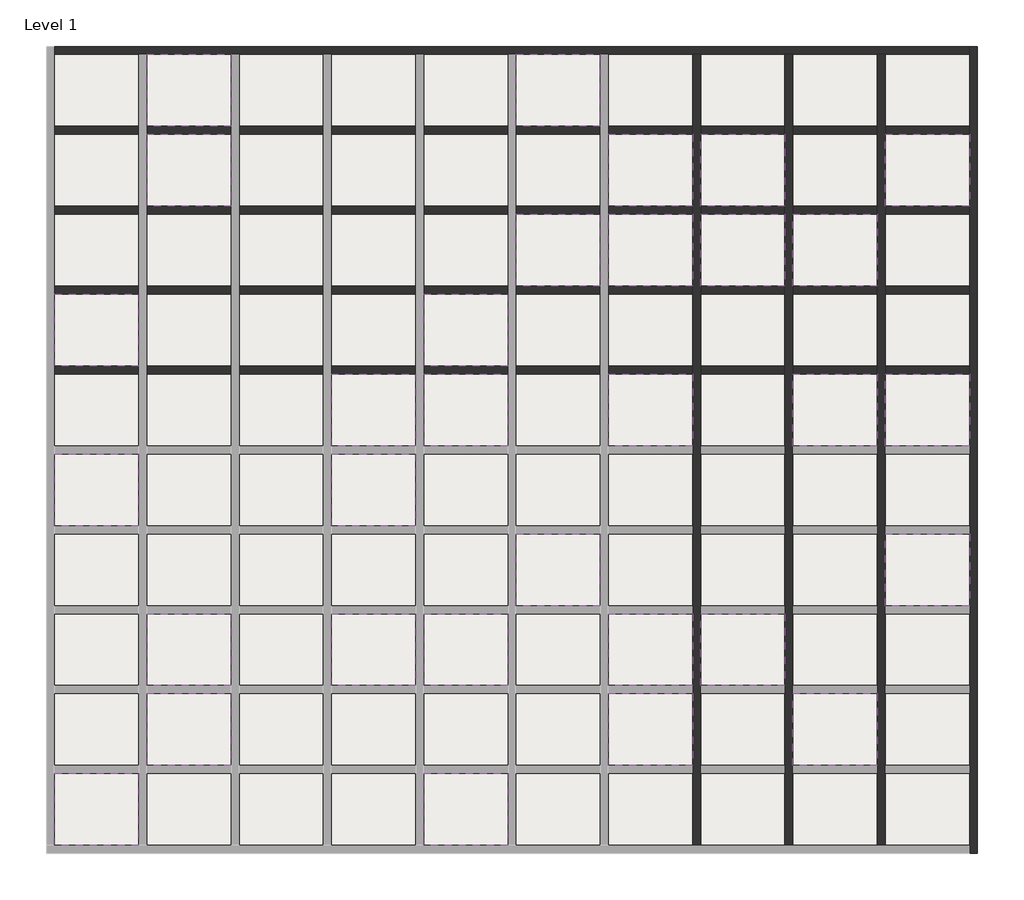
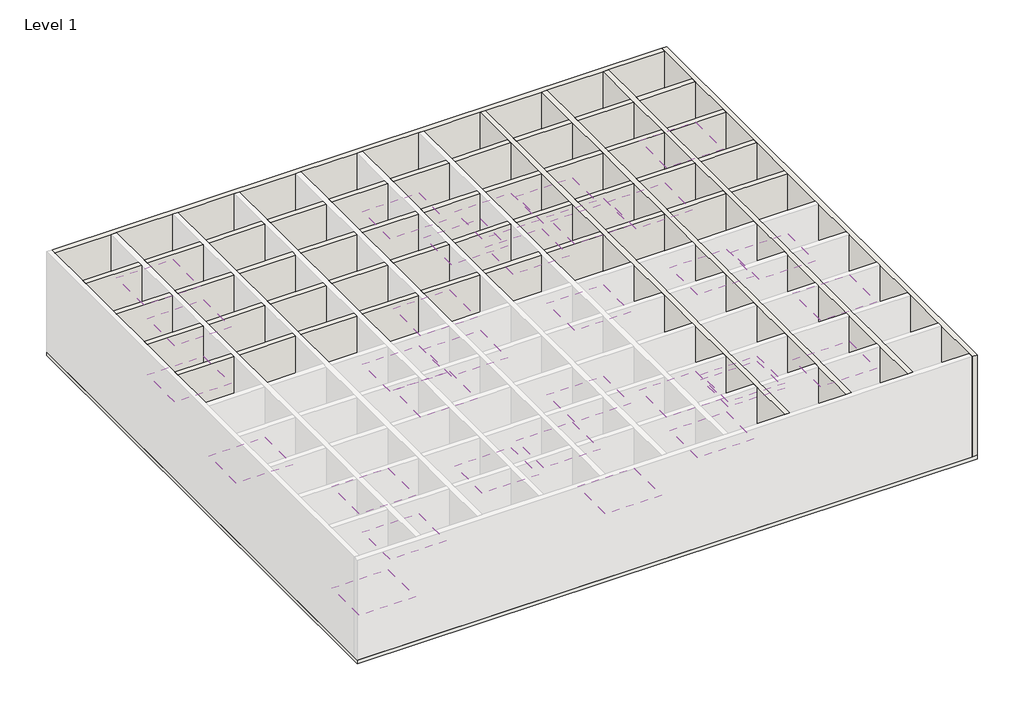
# One storey, part 2 of 2: 32 coverings, 9 walls, 1 slab.
"""IFC4 building model written with IfcOpenShell, lengths in millimetres."""

from ifc_helpers import new_model, si_unit, frame, origin, origin_with_axes, place, context, project, spatial, polyline, outline, extrude, faceted_brep, element, save

model = new_model("IFC4")

# Units and contexts
model_context = context("Model", 3, world=origin())
ifc_project = project(units=[si_unit("LENGTHUNIT", "METRE", prefix="MILLI")], contexts=[model_context])

# Site, building, storey
site = spatial("IfcSite", under=ifc_project)
building = spatial("IfcBuilding", under=site)
storey = spatial("IfcBuildingStorey", under=building, Name="Level 1", Elevation=0.0)

# Coverings
placement = place(None, origin())
element("IfcCovering", 1, ObjectType="Plain", at=placement, inside=storey, context=model_context, shape_type="SweptSolid", body=[
    extrude(outline(polyline([(-10465.7620395, 7446.3467026), (-12587.9842617, 7446.3467026), (-12587.9842617, 9257.4578138), (-10465.7620395, 9257.4578138), (-10465.7620395, 7446.3467026)])), frame((0.0, 0.0, 2200.0), z_axis=(0.0, 0.0, 1.0), x_axis=(1.0, 0.0, 0.0)), (0.0, 0.0, 1.0), 57.0),
])
element("IfcCovering", 2, ObjectType="Plain", at=placement, inside=storey, context=model_context, shape_type="SweptSolid", body=[
    extrude(outline(polyline([(-5821.3175951, -2609.2088529), (-7943.5398173, -2609.2088529), (-7943.5398173, -798.0977418), (-5821.3175951, -798.0977418), (-5821.3175951, -2609.2088529)])), frame((0.0, 0.0, 2200.0), z_axis=(0.0, 0.0, 1.0), x_axis=(1.0, 0.0, 0.0)), (0.0, 0.0, 1.0), 57.0),
])
element("IfcCovering", 3, ObjectType="Plain", at=placement, inside=storey, context=model_context, shape_type="SweptSolid", body=[
    extrude(outline(polyline([(-3499.0953728, 1413.0133693), (-5621.3175951, 1413.0133693), (-5621.3175951, 3224.1244804), (-3499.0953728, 3224.1244804), (-3499.0953728, 1413.0133693)])), frame((0.0, 0.0, 2200.0), z_axis=(0.0, 0.0, 1.0), x_axis=(1.0, 0.0, 0.0)), (0.0, 0.0, 1.0), 57.0),
])
element("IfcCovering", 4, ObjectType="Plain", at=placement, inside=storey, context=model_context, shape_type="SweptSolid", body=[
    extrude(outline(polyline([(3467.5712938, 3424.1244804), (1345.3490716, 3424.1244804), (1345.3490716, 5235.2355915), (3467.5712938, 5235.2355915), (3467.5712938, 3424.1244804)])), frame((0.0, 0.0, 2200.0), z_axis=(0.0, 0.0, 1.0), x_axis=(1.0, 0.0, 0.0)), (0.0, 0.0, 1.0), 57.0),
])
element("IfcCovering", 5, ObjectType="Plain", at=placement, inside=storey, context=model_context, shape_type="SweptSolid", body=[
    extrude(outline(polyline([(1145.3490716, -6631.4310751), (-976.8731506, -6631.4310751), (-976.8731506, -4820.319964), (1145.3490716, -4820.319964), (1145.3490716, -6631.4310751)])), frame((0.0, 0.0, 2200.0), z_axis=(0.0, 0.0, 1.0), x_axis=(1.0, 0.0, 0.0)), (0.0, 0.0, 1.0), 57.0),
])
element("IfcCovering", 6, ObjectType="Plain", at=placement, inside=storey, context=model_context, shape_type="SweptSolid", body=[
    extrude(outline(polyline([(-12787.9842617, 1413.0133693), (-14910.2064839, 1413.0133693), (-14910.2064839, 3224.1244804), (-12787.9842617, 3224.1244804), (-12787.9842617, 1413.0133693)])), frame((0.0, 0.0, 2800.0), z_axis=(0.0, 0.0, 1.0), x_axis=(1.0, 0.0, 0.0)), (0.0, 0.0, 1.0), 57.0),
])
element("IfcCovering", 7, ObjectType="Plain", at=placement, inside=storey, context=model_context, shape_type="SweptSolid", body=[
    extrude(outline(polyline([(-10465.7620395, -6631.4310751), (-12587.9842617, -6631.4310751), (-12587.9842617, -4820.319964), (-10465.7620395, -4820.319964), (-10465.7620395, -6631.4310751)])), frame((0.0, 0.0, 2400.0), z_axis=(0.0, 0.0, 1.0), x_axis=(1.0, 0.0, 0.0)), (0.0, 0.0, 1.0), 57.0),
])
element("IfcCovering", 8, ObjectType="Plain", at=placement, inside=storey, context=model_context, shape_type="SweptSolid", body=[
    extrude(outline(polyline([(-3499.0953728, -10653.6532974), (-5621.3175951, -10653.6532974), (-5621.3175951, -8842.5421862), (-3499.0953728, -8842.5421862), (-3499.0953728, -10653.6532974)])), frame((0.0, 0.0, 2400.0), z_axis=(0.0, 0.0, 1.0), x_axis=(1.0, 0.0, 0.0)), (0.0, 0.0, 1.0), 57.0),
])
element("IfcCovering", 9, ObjectType="Plain", at=placement, inside=storey, context=model_context, shape_type="SweptSolid", body=[
    extrude(outline(polyline([(8112.0157383, -4620.319964), (5989.7935161, -4620.319964), (5989.7935161, -2809.2088529), (8112.0157383, -2809.2088529), (8112.0157383, -4620.319964)])), frame((0.0, 0.0, 2400.0), z_axis=(0.0, 0.0, 1.0), x_axis=(1.0, 0.0, 0.0)), (0.0, 0.0, 1.0), 57.0),
])
element("IfcCovering", 10, ObjectType="Plain", at=placement, inside=storey, context=model_context, shape_type="SweptSolid", body=[
    extrude(outline(polyline([(8112.0157383, 5435.2355915), (5989.7935161, 5435.2355915), (5989.7935161, 7246.3467026), (8112.0157383, 7246.3467026), (8112.0157383, 5435.2355915)])), frame((0.0, 0.0, 2400.0), z_axis=(0.0, 0.0, 1.0), x_axis=(1.0, 0.0, 0.0)), (0.0, 0.0, 1.0), 57.0),
])
element("IfcCovering", 11, ObjectType="Plain", at=placement, inside=storey, context=model_context, shape_type="SweptSolid", body=[
    extrude(outline(polyline([(-12787.9842617, -2609.2088529), (-14910.2064839, -2609.2088529), (-14910.2064839, -798.0977418), (-12787.9842617, -798.0977418), (-12787.9842617, -2609.2088529)])), frame((0.0, 0.0, 2000.0), z_axis=(0.0, 0.0, 1.0), x_axis=(1.0, 0.0, 0.0)), (0.0, 0.0, 1.0), 57.0),
])
element("IfcCovering", 12, ObjectType="Plain", at=placement, inside=storey, context=model_context, shape_type="SweptSolid", body=[
    extrude(outline(polyline([(-5821.3175951, -598.0977418), (-7943.5398173, -598.0977418), (-7943.5398173, 1213.0133693), (-5821.3175951, 1213.0133693), (-5821.3175951, -598.0977418)])), frame((0.0, 0.0, 2000.0), z_axis=(0.0, 0.0, 1.0), x_axis=(1.0, 0.0, 0.0)), (0.0, 0.0, 1.0), 57.0),
])
element("IfcCovering", 13, ObjectType="Plain", at=placement, inside=storey, context=model_context, shape_type="SweptSolid", body=[
    extrude(outline(polyline([(3467.5712938, -6631.4310751), (1345.3490716, -6631.4310751), (1345.3490716, -4820.319964), (3467.5712938, -4820.319964), (3467.5712938, -6631.4310751)])), frame((0.0, 0.0, 2000.0), z_axis=(0.0, 0.0, 1.0), x_axis=(1.0, 0.0, 0.0)), (0.0, 0.0, 1.0), 57.0),
])
element("IfcCovering", 14, ObjectType="Plain", at=placement, inside=storey, context=model_context, shape_type="SweptSolid", body=[
    extrude(outline(polyline([(1145.3490716, -598.0977418), (-976.8731506, -598.0977418), (-976.8731506, 1213.0133693), (1145.3490716, 1213.0133693), (1145.3490716, -598.0977418)])), frame((0.0, 0.0, 2000.0), z_axis=(0.0, 0.0, 1.0), x_axis=(1.0, 0.0, 0.0)), (0.0, 0.0, 1.0), 57.0),
])
element("IfcCovering", 15, ObjectType="Plain", at=placement, inside=storey, context=model_context, shape_type="SweptSolid", body=[
    extrude(outline(polyline([(5789.7935161, 5235.2355915), (5789.7935161, 3424.1244804), (3667.5712938, 3424.1244804), (3667.5712938, 5235.2355915), (5789.7935161, 5235.2355915)])), frame((0.0, 0.0, 2000.0), z_axis=(0.0, 0.0, 1.0), x_axis=(1.0, 0.0, 0.0)), (0.0, 0.0, 1.0), 57.0),
])
element("IfcCovering", 16, ObjectType="Plain", at=placement, inside=storey, context=model_context, shape_type="SweptSolid", body=[
    extrude(outline(polyline([(1145.3490716, 5435.2355915), (-976.8731506, 5435.2355915), (-976.8731506, 7246.3467026), (1145.3490716, 7246.3467026), (1145.3490716, 5435.2355915)])), frame((0.0, 0.0, 2000.0), z_axis=(0.0, 0.0, 1.0), x_axis=(1.0, 0.0, 0.0)), (0.0, 0.0, 1.0), 57.0),
])
element("IfcCovering", 17, ObjectType="Plain", at=placement, inside=storey, context=model_context, shape_type="SweptSolid", body=[
    extrude(outline(polyline([(-10465.7620395, -8642.5421862), (-12587.9842617, -8642.5421862), (-12587.9842617, -6831.4310751), (-10465.7620395, -6831.4310751), (-10465.7620395, -8642.5421862)])), frame((0.0, 0.0, 1800.0), z_axis=(0.0, 0.0, 1.0), x_axis=(1.0, 0.0, 0.0)), (0.0, 0.0, 1.0), 57.0),
])
element("IfcCovering", 18, ObjectType="Plain", at=placement, inside=storey, context=model_context, shape_type="SweptSolid", body=[
    extrude(outline(polyline([(-3499.0953728, -6631.4310751), (-5621.3175951, -6631.4310751), (-5621.3175951, -4820.319964), (-3499.0953728, -4820.319964), (-3499.0953728, -6631.4310751)])), frame((0.0, 0.0, 1800.0), z_axis=(0.0, 0.0, 1.0), x_axis=(1.0, 0.0, 0.0)), (0.0, 0.0, 1.0), 57.0),
])
element("IfcCovering", 19, ObjectType="Plain", at=placement, inside=storey, context=model_context, shape_type="SweptSolid", body=[
    extrude(outline(polyline([(-3499.0953728, -598.0977418), (-5621.3175951, -598.0977418), (-5621.3175951, 1213.0133693), (-3499.0953728, 1213.0133693), (-3499.0953728, -598.0977418)])), frame((0.0, 0.0, 1800.0), z_axis=(0.0, 0.0, 1.0), x_axis=(1.0, 0.0, 0.0)), (0.0, 0.0, 1.0), 57.0),
])
element("IfcCovering", 20, ObjectType="Plain", at=placement, inside=storey, context=model_context, shape_type="SweptSolid", body=[
    extrude(outline(polyline([(-10465.7620395, 5435.2355915), (-12587.9842617, 5435.2355915), (-12587.9842617, 7246.3467026), (-10465.7620395, 7246.3467026), (-10465.7620395, 5435.2355915)])), frame((0.0, 0.0, 1800.0), z_axis=(0.0, 0.0, 1.0), x_axis=(1.0, 0.0, 0.0)), (0.0, 0.0, 1.0), 57.0),
])
element("IfcCovering", 21, ObjectType="Plain", at=placement, inside=storey, context=model_context, shape_type="SweptSolid", body=[
    extrude(outline(polyline([(1145.3490716, 3424.1244804), (-976.8731506, 3424.1244804), (-976.8731506, 5235.2355915), (1145.3490716, 5235.2355915), (1145.3490716, 3424.1244804)])), frame((0.0, 0.0, 1800.0), z_axis=(0.0, 0.0, 1.0), x_axis=(1.0, 0.0, 0.0)), (0.0, 0.0, 1.0), 57.0),
])
element("IfcCovering", 22, ObjectType="Plain", at=placement, inside=storey, context=model_context, shape_type="SweptSolid", body=[
    extrude(outline(polyline([(3467.5712938, 5435.2355915), (1345.3490716, 5435.2355915), (1345.3490716, 7246.3467026), (3467.5712938, 7246.3467026), (3467.5712938, 5435.2355915)])), frame((0.0, 0.0, 1800.0), z_axis=(0.0, 0.0, 1.0), x_axis=(1.0, 0.0, 0.0)), (0.0, 0.0, 1.0), 57.0),
])
element("IfcCovering", 23, ObjectType="Plain", at=placement, inside=storey, context=model_context, shape_type="SweptSolid", body=[
    extrude(outline(polyline([(5789.7935161, 1213.0133693), (5789.7935161, -598.0977418), (3667.5712938, -598.0977418), (3667.5712938, 1213.0133693), (5789.7935161, 1213.0133693)])), frame((0.0, 0.0, 1800.0), z_axis=(0.0, 0.0, 1.0), x_axis=(1.0, 0.0, 0.0)), (0.0, 0.0, 1.0), 57.0),
])
element("IfcCovering", 24, ObjectType="Plain", at=placement, inside=storey, context=model_context, shape_type="SweptSolid", body=[
    extrude(outline(polyline([(3467.5712938, -6631.4310751), (1345.3490716, -6631.4310751), (1345.3490716, -4820.319964), (3467.5712938, -4820.319964), (3467.5712938, -6631.4310751)])), frame((0.0, 0.0, 1800.0), z_axis=(0.0, 0.0, 1.0), x_axis=(1.0, 0.0, 0.0)), (0.0, 0.0, 1.0), 57.0),
])
element("IfcCovering", 25, ObjectType="Plain", at=placement, inside=storey, context=model_context, shape_type="SweptSolid", body=[
    extrude(outline(polyline([(1145.3490716, -8642.5421862), (-976.8731506, -8642.5421862), (-976.8731506, -6831.4310751), (1145.3490716, -6831.4310751), (1145.3490716, -8642.5421862)])), frame((0.0, 0.0, 1800.0), z_axis=(0.0, 0.0, 1.0), x_axis=(1.0, 0.0, 0.0)), (0.0, 0.0, 1.0), 57.0),
])
element("IfcCovering", 26, ObjectType="Plain", at=placement, inside=storey, context=model_context, shape_type="SweptSolid", body=[
    extrude(outline(polyline([(-1176.8731506, 7446.3467026), (-3299.0953728, 7446.3467026), (-3299.0953728, 9257.4578138), (-1176.8731506, 9257.4578138), (-1176.8731506, 7446.3467026)])), frame((0.0, 0.0, 1600.0), z_axis=(0.0, 0.0, 1.0), x_axis=(1.0, 0.0, 0.0)), (0.0, 0.0, 1.0), 57.0),
])
element("IfcCovering", 27, ObjectType="Plain", at=placement, inside=storey, context=model_context, shape_type="SweptSolid", body=[
    extrude(outline(polyline([(8112.0157383, -598.0977418), (5989.7935161, -598.0977418), (5989.7935161, 1213.0133693), (8112.0157383, 1213.0133693), (8112.0157383, -598.0977418)])), frame((0.0, 0.0, 1600.0), z_axis=(0.0, 0.0, 1.0), x_axis=(1.0, 0.0, 0.0)), (0.0, 0.0, 1.0), 57.0),
])
element("IfcCovering", 28, ObjectType="Plain", at=placement, inside=storey, context=model_context, shape_type="SweptSolid", body=[
    extrude(outline(polyline([(-1176.8731506, -4620.319964), (-3299.0953728, -4620.319964), (-3299.0953728, -2809.2088529), (-1176.8731506, -2809.2088529), (-1176.8731506, -4620.319964)])), frame((0.0, 0.0, 1600.0), z_axis=(0.0, 0.0, 1.0), x_axis=(1.0, 0.0, 0.0)), (0.0, 0.0, 1.0), 57.0),
])
element("IfcCovering", 29, ObjectType="Plain", at=placement, inside=storey, context=model_context, shape_type="SweptSolid", body=[
    extrude(outline(polyline([(-5821.3175951, -6631.4310751), (-7943.5398173, -6631.4310751), (-7943.5398173, -4820.319964), (-5821.3175951, -4820.319964), (-5821.3175951, -6631.4310751)])), frame((0.0, 0.0, 1600.0), z_axis=(0.0, 0.0, 1.0), x_axis=(1.0, 0.0, 0.0)), (0.0, 0.0, 1.0), 57.0),
])
element("IfcCovering", 30, ObjectType="Plain", at=placement, inside=storey, context=model_context, shape_type="SweptSolid", body=[
    extrude(outline(polyline([(-12787.9842617, -10653.6532974), (-14910.2064839, -10653.6532974), (-14910.2064839, -8842.5421862), (-12787.9842617, -8842.5421862), (-12787.9842617, -10653.6532974)])), frame((0.0, 0.0, 1600.0), z_axis=(0.0, 0.0, 1.0), x_axis=(1.0, 0.0, 0.0)), (0.0, 0.0, 1.0), 57.0),
])
element("IfcCovering", 31, ObjectType="Plain", at=placement, inside=storey, context=model_context, shape_type="SweptSolid", body=[
    extrude(outline(polyline([(5789.7935161, -6831.4310751), (5789.7935161, -8642.5421862), (3667.5712938, -8642.5421862), (3667.5712938, -6831.4310751), (5789.7935161, -6831.4310751)])), frame((0.0, 0.0, 3000.0), z_axis=(0.0, 0.0, 1.0), x_axis=(1.0, 0.0, 0.0)), (0.0, 0.0, 1.0), 57.0),
])
element("IfcCovering", 32, ObjectType="Plain", at=placement, inside=storey, context=model_context, shape_type="SweptSolid", body=[
    extrude(outline(polyline([(-1176.8731506, 3424.1244804), (-3299.0953728, 3424.1244804), (-3299.0953728, 5235.2355915), (-1176.8731506, 5235.2355915), (-1176.8731506, 3424.1244804)])), frame((0.0, 0.0, 3000.0), z_axis=(0.0, 0.0, 1.0), x_axis=(1.0, 0.0, 0.0)), (0.0, 0.0, 1.0), 57.0),
])

# Slab
element("IfcSlab", 33, ObjectType="Generic 150mm", at=placement, inside=storey, context=model_context, shape_type="SweptSolid", body=[
    extrude(outline(polyline([(8312.0157383, 9457.4578138), (8312.0157383, -10853.6532974), (-15110.2064839, -10853.6532974), (-15110.2064839, 9457.4578138), (8312.0157383, 9457.4578138)])), frame((0.0, 0.0, -150.0), z_axis=(0.0, 0.0, 1.0), x_axis=(1.0, 0.0, 0.0)), (0.0, 0.0, 1.0), 150.0),
])

# Walls
element("IfcWall", 34, ObjectType="Generic - 200mm", at=placement, inside=storey, context=model_context, shape_type="Brep", body=[
    faceted_brep([(5789.7935161, 9257.4578138, 0.0), (5789.7935161, 7446.3467026, 0.0), (5789.7935161, 7246.3467026, 0.0), (5789.7935161, 5435.2355915, 0.0), (5789.7935161, 5235.2355915, 0.0), (5789.7935161, 3424.1244804, 0.0), (5789.7935161, 3224.1244804, 0.0), (5789.7935161, 1413.0133693, 0.0), (5789.7935161, 1213.0133693, 0.0), (5789.7935161, -598.0977418, 0.0), (5789.7935161, -798.0977418, 0.0), (5789.7935161, -2609.2088529, 0.0), (5789.7935161, -2809.2088529, 0.0), (5789.7935161, -4620.319964, 0.0), (5789.7935161, -4820.319964, 0.0), (5789.7935161, -6631.4310751, 0.0), (5789.7935161, -6831.4310751, 0.0), (5789.7935161, -8642.5421862, 0.0), (5789.7935161, -8842.5421862, 0.0), (5789.7935161, -10653.6532974, 0.0), (5789.7935161, -10653.6532974, 4000.0), (5789.7935161, -8842.5421862, 4000.0), (5789.7935161, -8642.5421862, 4000.0), (5789.7935161, -6831.4310751, 4000.0), (5789.7935161, -6631.4310751, 4000.0), (5789.7935161, -4820.319964, 4000.0), (5789.7935161, -4620.319964, 4000.0), (5789.7935161, -2809.2088529, 4000.0), (5789.7935161, -2609.2088529, 4000.0), (5789.7935161, -798.0977418, 4000.0), (5789.7935161, -598.0977418, 4000.0), (5789.7935161, 1213.0133693, 4000.0), (5789.7935161, 1413.0133693, 4000.0), (5789.7935161, 3224.1244804, 4000.0), (5789.7935161, 3424.1244804, 4000.0), (5789.7935161, 5235.2355915, 4000.0), (5789.7935161, 5435.2355915, 4000.0), (5789.7935161, 7246.3467026, 4000.0), (5789.7935161, 7446.3467026, 4000.0), (5789.7935161, 9257.4578138, 4000.0), (5989.7935161, 9257.4578138, 0.0), (5989.7935161, 9257.4578138, 4000.0), (5989.7935161, 7446.3467026, 4000.0), (5989.7935161, 7246.3467026, 4000.0), (5989.7935161, 5435.2355915, 4000.0), (5989.7935161, 5235.2355915, 4000.0), (5989.7935161, 3424.1244804, 4000.0), (5989.7935161, 3224.1244804, 4000.0), (5989.7935161, 1413.0133693, 4000.0), (5989.7935161, 1213.0133693, 4000.0), (5989.7935161, -598.0977418, 4000.0), (5989.7935161, -798.0977418, 4000.0), (5989.7935161, -2609.2088529, 4000.0), (5989.7935161, -2809.2088529, 4000.0), (5989.7935161, -4620.319964, 4000.0), (5989.7935161, -4820.319964, 4000.0), (5989.7935161, -6631.4310751, 4000.0), (5989.7935161, -6831.4310751, 4000.0), (5989.7935161, -8642.5421862, 4000.0), (5989.7935161, -8842.5421862, 4000.0), (5989.7935161, -10653.6532974, 4000.0), (5989.7935161, -10653.6532974, 0.0), (5989.7935161, -8842.5421862, 0.0), (5989.7935161, -8642.5421862, 0.0), (5989.7935161, -6831.4310751, 0.0), (5989.7935161, -6631.4310751, 0.0), (5989.7935161, -4820.319964, 0.0), (5989.7935161, -4620.319964, 0.0), (5989.7935161, -2809.2088529, 0.0), (5989.7935161, -2609.2088529, 0.0), (5989.7935161, -798.0977418, 0.0), (5989.7935161, -598.0977418, 0.0), (5989.7935161, 1213.0133693, 0.0), (5989.7935161, 1413.0133693, 0.0), (5989.7935161, 3224.1244804, 0.0), (5989.7935161, 3424.1244804, 0.0), (5989.7935161, 5235.2355915, 0.0), (5989.7935161, 5435.2355915, 0.0), (5989.7935161, 7246.3467026, 0.0), (5989.7935161, 7446.3467026, 0.0)], [[[0, 1, 2, 3, 4, 5, 6, 7, 8, 9, 10, 11, 12, 13, 14, 15, 16, 17, 18, 19, 20, 21, 22, 23, 24, 25, 26, 27, 28, 29, 30, 31, 32, 33, 34, 35, 36, 37, 38, 39]], [[40, 41, 42, 43, 44, 45, 46, 47, 48, 49, 50, 51, 52, 53, 54, 55, 56, 57, 58, 59, 60, 61, 62, 63, 64, 65, 66, 67, 68, 69, 70, 71, 72, 73, 74, 75, 76, 77, 78, 79]], [[19, 18, 17, 16, 15, 14, 13, 12, 11, 10, 9, 8, 7, 6, 5, 4, 3, 2, 1, 0, 40, 79, 78, 77, 76, 75, 74, 73, 72, 71, 70, 69, 68, 67, 66, 65, 64, 63, 62, 61]], [[39, 38, 37, 36, 35, 34, 33, 32, 31, 30, 29, 28, 27, 26, 25, 24, 23, 22, 21, 20, 60, 59, 58, 57, 56, 55, 54, 53, 52, 51, 50, 49, 48, 47, 46, 45, 44, 43, 42, 41]], [[20, 19, 61, 60]], [[0, 39, 41, 40]]]),
])
element("IfcWall", 35, ObjectType="Generic - 200mm", at=placement, inside=storey, context=model_context, shape_type="Brep", body=[
    faceted_brep([(1145.3490716, 9257.4578138, 0.0), (1145.3490716, 7446.3467026, 0.0), (1145.3490716, 7246.3467026, 0.0), (1145.3490716, 5435.2355915, 0.0), (1145.3490716, 5235.2355915, 0.0), (1145.3490716, 3424.1244804, 0.0), (1145.3490716, 3224.1244804, 0.0), (1145.3490716, 1413.0133693, 0.0), (1145.3490716, 1213.0133693, 0.0), (1145.3490716, -598.0977418, 0.0), (1145.3490716, -798.0977418, 0.0), (1145.3490716, -2609.2088529, 0.0), (1145.3490716, -2809.2088529, 0.0), (1145.3490716, -4620.319964, 0.0), (1145.3490716, -4820.319964, 0.0), (1145.3490716, -6631.4310751, 0.0), (1145.3490716, -6831.4310751, 0.0), (1145.3490716, -8642.5421862, 0.0), (1145.3490716, -8842.5421862, 0.0), (1145.3490716, -10653.6532974, 0.0), (1145.3490716, -10653.6532974, 4000.0), (1145.3490716, -8842.5421862, 4000.0), (1145.3490716, -8642.5421862, 4000.0), (1145.3490716, -6831.4310751, 4000.0), (1145.3490716, -6631.4310751, 4000.0), (1145.3490716, -4820.319964, 4000.0), (1145.3490716, -4620.319964, 4000.0), (1145.3490716, -2809.2088529, 4000.0), (1145.3490716, -2609.2088529, 4000.0), (1145.3490716, -798.0977418, 4000.0), (1145.3490716, -598.0977418, 4000.0), (1145.3490716, 1213.0133693, 4000.0), (1145.3490716, 1413.0133693, 4000.0), (1145.3490716, 3224.1244804, 4000.0), (1145.3490716, 3424.1244804, 4000.0), (1145.3490716, 5235.2355915, 4000.0), (1145.3490716, 5435.2355915, 4000.0), (1145.3490716, 7246.3467026, 4000.0), (1145.3490716, 7446.3467026, 4000.0), (1145.3490716, 9257.4578138, 4000.0), (1345.3490716, 9257.4578138, 0.0), (1345.3490716, 9257.4578138, 4000.0), (1345.3490716, 7446.3467026, 4000.0), (1345.3490716, 7246.3467026, 4000.0), (1345.3490716, 5435.2355915, 4000.0), (1345.3490716, 5235.2355915, 4000.0), (1345.3490716, 3424.1244804, 4000.0), (1345.3490716, 3224.1244804, 4000.0), (1345.3490716, 1413.0133693, 4000.0), (1345.3490716, 1213.0133693, 4000.0), (1345.3490716, -598.0977418, 4000.0), (1345.3490716, -798.0977418, 4000.0), (1345.3490716, -2609.2088529, 4000.0), (1345.3490716, -2809.2088529, 4000.0), (1345.3490716, -4620.319964, 4000.0), (1345.3490716, -4820.319964, 4000.0), (1345.3490716, -6631.4310751, 4000.0), (1345.3490716, -6831.4310751, 4000.0), (1345.3490716, -8642.5421862, 4000.0), (1345.3490716, -8842.5421862, 4000.0), (1345.3490716, -10653.6532974, 4000.0), (1345.3490716, -10653.6532974, 0.0), (1345.3490716, -8842.5421862, 0.0), (1345.3490716, -8642.5421862, 0.0), (1345.3490716, -6831.4310751, 0.0), (1345.3490716, -6631.4310751, 0.0), (1345.3490716, -4820.319964, 0.0), (1345.3490716, -4620.319964, 0.0), (1345.3490716, -2809.2088529, 0.0), (1345.3490716, -2609.2088529, 0.0), (1345.3490716, -798.0977418, 0.0), (1345.3490716, -598.0977418, 0.0), (1345.3490716, 1213.0133693, 0.0), (1345.3490716, 1413.0133693, 0.0), (1345.3490716, 3224.1244804, 0.0), (1345.3490716, 3424.1244804, 0.0), (1345.3490716, 5235.2355915, 0.0), (1345.3490716, 5435.2355915, 0.0), (1345.3490716, 7246.3467026, 0.0), (1345.3490716, 7446.3467026, 0.0)], [[[0, 1, 2, 3, 4, 5, 6, 7, 8, 9, 10, 11, 12, 13, 14, 15, 16, 17, 18, 19, 20, 21, 22, 23, 24, 25, 26, 27, 28, 29, 30, 31, 32, 33, 34, 35, 36, 37, 38, 39]], [[40, 41, 42, 43, 44, 45, 46, 47, 48, 49, 50, 51, 52, 53, 54, 55, 56, 57, 58, 59, 60, 61, 62, 63, 64, 65, 66, 67, 68, 69, 70, 71, 72, 73, 74, 75, 76, 77, 78, 79]], [[19, 18, 17, 16, 15, 14, 13, 12, 11, 10, 9, 8, 7, 6, 5, 4, 3, 2, 1, 0, 40, 79, 78, 77, 76, 75, 74, 73, 72, 71, 70, 69, 68, 67, 66, 65, 64, 63, 62, 61]], [[39, 38, 37, 36, 35, 34, 33, 32, 31, 30, 29, 28, 27, 26, 25, 24, 23, 22, 21, 20, 60, 59, 58, 57, 56, 55, 54, 53, 52, 51, 50, 49, 48, 47, 46, 45, 44, 43, 42, 41]], [[0, 39, 41, 40]], [[20, 19, 61, 60]]]),
])
element("IfcWall", 36, ObjectType="Generic - 200mm", at=placement, inside=storey, context=model_context, shape_type="Brep", body=[
    faceted_brep([(3467.5712938, 9257.4578138, 0.0), (3467.5712938, 7446.3467026, 0.0), (3467.5712938, 7246.3467026, 0.0), (3467.5712938, 5435.2355915, 0.0), (3467.5712938, 5235.2355915, 0.0), (3467.5712938, 3424.1244804, 0.0), (3467.5712938, 3224.1244804, 0.0), (3467.5712938, 1413.0133693, 0.0), (3467.5712938, 1213.0133693, 0.0), (3467.5712938, -598.0977418, 0.0), (3467.5712938, -798.0977418, 0.0), (3467.5712938, -2609.2088529, 0.0), (3467.5712938, -2809.2088529, 0.0), (3467.5712938, -4620.319964, 0.0), (3467.5712938, -4820.319964, 0.0), (3467.5712938, -6631.4310751, 0.0), (3467.5712938, -6831.4310751, 0.0), (3467.5712938, -8642.5421862, 0.0), (3467.5712938, -8842.5421862, 0.0), (3467.5712938, -10653.6532974, 0.0), (3467.5712938, -10653.6532974, 4000.0), (3467.5712938, -8842.5421862, 4000.0), (3467.5712938, -8642.5421862, 4000.0), (3467.5712938, -6831.4310751, 4000.0), (3467.5712938, -6631.4310751, 4000.0), (3467.5712938, -4820.319964, 4000.0), (3467.5712938, -4620.319964, 4000.0), (3467.5712938, -2809.2088529, 4000.0), (3467.5712938, -2609.2088529, 4000.0), (3467.5712938, -798.0977418, 4000.0), (3467.5712938, -598.0977418, 4000.0), (3467.5712938, 1213.0133693, 4000.0), (3467.5712938, 1413.0133693, 4000.0), (3467.5712938, 3224.1244804, 4000.0), (3467.5712938, 3424.1244804, 4000.0), (3467.5712938, 5235.2355915, 4000.0), (3467.5712938, 5435.2355915, 4000.0), (3467.5712938, 7246.3467026, 4000.0), (3467.5712938, 7446.3467026, 4000.0), (3467.5712938, 9257.4578138, 4000.0), (3667.5712938, 9257.4578138, 0.0), (3667.5712938, 9257.4578138, 4000.0), (3667.5712938, 7446.3467026, 4000.0), (3667.5712938, 7246.3467026, 4000.0), (3667.5712938, 5435.2355915, 4000.0), (3667.5712938, 5235.2355915, 4000.0), (3667.5712938, 3424.1244804, 4000.0), (3667.5712938, 3224.1244804, 4000.0), (3667.5712938, 1413.0133693, 4000.0), (3667.5712938, 1213.0133693, 4000.0), (3667.5712938, -598.0977418, 4000.0), (3667.5712938, -798.0977418, 4000.0), (3667.5712938, -2609.2088529, 4000.0), (3667.5712938, -2809.2088529, 4000.0), (3667.5712938, -4620.319964, 4000.0), (3667.5712938, -4820.319964, 4000.0), (3667.5712938, -6631.4310751, 4000.0), (3667.5712938, -6831.4310751, 4000.0), (3667.5712938, -8642.5421862, 4000.0), (3667.5712938, -8842.5421862, 4000.0), (3667.5712938, -10653.6532974, 4000.0), (3667.5712938, -10653.6532974, 0.0), (3667.5712938, -8842.5421862, 0.0), (3667.5712938, -8642.5421862, 0.0), (3667.5712938, -6831.4310751, 0.0), (3667.5712938, -6631.4310751, 0.0), (3667.5712938, -4820.319964, 0.0), (3667.5712938, -4620.319964, 0.0), (3667.5712938, -2809.2088529, 0.0), (3667.5712938, -2609.2088529, 0.0), (3667.5712938, -798.0977418, 0.0), (3667.5712938, -598.0977418, 0.0), (3667.5712938, 1213.0133693, 0.0), (3667.5712938, 1413.0133693, 0.0), (3667.5712938, 3224.1244804, 0.0), (3667.5712938, 3424.1244804, 0.0), (3667.5712938, 5235.2355915, 0.0), (3667.5712938, 5435.2355915, 0.0), (3667.5712938, 7246.3467026, 0.0), (3667.5712938, 7446.3467026, 0.0)], [[[0, 1, 2, 3, 4, 5, 6, 7, 8, 9, 10, 11, 12, 13, 14, 15, 16, 17, 18, 19, 20, 21, 22, 23, 24, 25, 26, 27, 28, 29, 30, 31, 32, 33, 34, 35, 36, 37, 38, 39]], [[40, 41, 42, 43, 44, 45, 46, 47, 48, 49, 50, 51, 52, 53, 54, 55, 56, 57, 58, 59, 60, 61, 62, 63, 64, 65, 66, 67, 68, 69, 70, 71, 72, 73, 74, 75, 76, 77, 78, 79]], [[19, 18, 17, 16, 15, 14, 13, 12, 11, 10, 9, 8, 7, 6, 5, 4, 3, 2, 1, 0, 40, 79, 78, 77, 76, 75, 74, 73, 72, 71, 70, 69, 68, 67, 66, 65, 64, 63, 62, 61]], [[39, 38, 37, 36, 35, 34, 33, 32, 31, 30, 29, 28, 27, 26, 25, 24, 23, 22, 21, 20, 60, 59, 58, 57, 56, 55, 54, 53, 52, 51, 50, 49, 48, 47, 46, 45, 44, 43, 42, 41]], [[0, 39, 41, 40]], [[20, 19, 61, 60]]]),
])
element("IfcWall", 37, ObjectType="Generic - 200mm", at=placement, inside=storey, context=model_context, shape_type="Brep", body=[
    faceted_brep([(-14910.2064839, 9257.4578138, 0.0), (-12787.9842617, 9257.4578138, 0.0), (-12587.9842617, 9257.4578138, 0.0), (-10465.7620395, 9257.4578138, 0.0), (-10265.7620395, 9257.4578138, 0.0), (-8143.5398173, 9257.4578138, 0.0), (-7943.5398173, 9257.4578138, 0.0), (-5821.3175951, 9257.4578138, 0.0), (-5621.3175951, 9257.4578138, 0.0), (-3499.0953728, 9257.4578138, 0.0), (-3299.0953728, 9257.4578138, 0.0), (-1176.8731506, 9257.4578138, 0.0), (-976.8731506, 9257.4578138, 0.0), (1145.3490716, 9257.4578138, 0.0), (1345.3490716, 9257.4578138, 0.0), (3467.5712938, 9257.4578138, 0.0), (3667.5712938, 9257.4578138, 0.0), (5789.7935161, 9257.4578138, 0.0), (5989.7935161, 9257.4578138, 0.0), (8112.0157383, 9257.4578138, 0.0), (8112.0157383, 9257.4578138, 4000.0), (5989.7935161, 9257.4578138, 4000.0), (5789.7935161, 9257.4578138, 4000.0), (3667.5712938, 9257.4578138, 4000.0), (3467.5712938, 9257.4578138, 4000.0), (1345.3490716, 9257.4578138, 4000.0), (1145.3490716, 9257.4578138, 4000.0), (-976.8731506, 9257.4578138, 4000.0), (-1176.8731506, 9257.4578138, 4000.0), (-3299.0953728, 9257.4578138, 4000.0), (-3499.0953728, 9257.4578138, 4000.0), (-5621.3175951, 9257.4578138, 4000.0), (-5821.3175951, 9257.4578138, 4000.0), (-7943.5398173, 9257.4578138, 4000.0), (-8143.5398173, 9257.4578138, 4000.0), (-10265.7620395, 9257.4578138, 4000.0), (-10465.7620395, 9257.4578138, 4000.0), (-12587.9842617, 9257.4578138, 4000.0), (-12787.9842617, 9257.4578138, 4000.0), (-14910.2064839, 9257.4578138, 4000.0), (-14910.2064839, 9457.4578138, 0.0), (-14910.2064839, 9457.4578138, 4000.0), (8112.0157383, 9457.4578138, 4000.0), (8112.0157383, 9457.4578138, 0.0)], [[[0, 1, 2, 3, 4, 5, 6, 7, 8, 9, 10, 11, 12, 13, 14, 15, 16, 17, 18, 19, 20, 21, 22, 23, 24, 25, 26, 27, 28, 29, 30, 31, 32, 33, 34, 35, 36, 37, 38, 39]], [[40, 41, 42, 43]], [[19, 18, 17, 16, 15, 14, 13, 12, 11, 10, 9, 8, 7, 6, 5, 4, 3, 2, 1, 0, 40, 43]], [[39, 38, 37, 36, 35, 34, 33, 32, 31, 30, 29, 28, 27, 26, 25, 24, 23, 22, 21, 20, 42, 41]], [[0, 39, 41, 40]], [[20, 19, 43, 42]]]),
])
element("IfcWall", 38, ObjectType="Generic - 200mm", at=placement, inside=storey, context=model_context, shape_type="SweptSolid", body=[
    extrude(outline(polyline([(-14910.2064839, 7246.3467026), (-14910.2064839, 7446.3467026), (-12787.9842617, 7446.3467026), (-12787.9842617, 7246.3467026), (-14910.2064839, 7246.3467026)])), origin_with_axes(), (0.0, 0.0, 1.0), 4000.0),
    extrude(outline(polyline([(-12587.9842617, 7246.3467026), (-12587.9842617, 7446.3467026), (-10465.7620395, 7446.3467026), (-10465.7620395, 7246.3467026), (-12587.9842617, 7246.3467026)])), origin_with_axes(), (0.0, 0.0, 1.0), 4000.0),
    extrude(outline(polyline([(-10265.7620395, 7246.3467026), (-10265.7620395, 7446.3467026), (-8143.5398173, 7446.3467026), (-8143.5398173, 7246.3467026), (-10265.7620395, 7246.3467026)])), origin_with_axes(), (0.0, 0.0, 1.0), 4000.0),
    extrude(outline(polyline([(-7943.5398173, 7246.3467026), (-7943.5398173, 7446.3467026), (-5821.3175951, 7446.3467026), (-5821.3175951, 7246.3467026), (-7943.5398173, 7246.3467026)])), origin_with_axes(), (0.0, 0.0, 1.0), 4000.0),
    extrude(outline(polyline([(-5621.3175951, 7246.3467026), (-5621.3175951, 7446.3467026), (-3499.0953728, 7446.3467026), (-3499.0953728, 7246.3467026), (-5621.3175951, 7246.3467026)])), origin_with_axes(), (0.0, 0.0, 1.0), 4000.0),
    extrude(outline(polyline([(-3299.0953728, 7246.3467026), (-3299.0953728, 7446.3467026), (-1176.8731506, 7446.3467026), (-1176.8731506, 7246.3467026), (-3299.0953728, 7246.3467026)])), origin_with_axes(), (0.0, 0.0, 1.0), 4000.0),
    extrude(outline(polyline([(-976.8731506, 7246.3467026), (-976.8731506, 7446.3467026), (1145.3490716, 7446.3467026), (1145.3490716, 7246.3467026), (-976.8731506, 7246.3467026)])), origin_with_axes(), (0.0, 0.0, 1.0), 4000.0),
    extrude(outline(polyline([(1345.3490716, 7246.3467026), (1345.3490716, 7446.3467026), (3467.5712938, 7446.3467026), (3467.5712938, 7246.3467026), (1345.3490716, 7246.3467026)])), origin_with_axes(), (0.0, 0.0, 1.0), 4000.0),
    extrude(outline(polyline([(3667.5712938, 7246.3467026), (3667.5712938, 7446.3467026), (5789.7935161, 7446.3467026), (5789.7935161, 7246.3467026), (3667.5712938, 7246.3467026)])), origin_with_axes(), (0.0, 0.0, 1.0), 4000.0),
    extrude(outline(polyline([(8112.0157383, 7446.3467026), (8112.0157383, 7246.3467026), (5989.7935161, 7246.3467026), (5989.7935161, 7446.3467026), (8112.0157383, 7446.3467026)])), origin_with_axes(), (0.0, 0.0, 1.0), 4000.0),
])
element("IfcWall", 39, ObjectType="Generic - 200mm", at=placement, inside=storey, context=model_context, shape_type="SweptSolid", body=[
    extrude(outline(polyline([(-14910.2064839, 5235.2355915), (-14910.2064839, 5435.2355915), (-12787.9842617, 5435.2355915), (-12787.9842617, 5235.2355915), (-14910.2064839, 5235.2355915)])), origin_with_axes(), (0.0, 0.0, 1.0), 4000.0),
    extrude(outline(polyline([(-12587.9842617, 5235.2355915), (-12587.9842617, 5435.2355915), (-10465.7620395, 5435.2355915), (-10465.7620395, 5235.2355915), (-12587.9842617, 5235.2355915)])), origin_with_axes(), (0.0, 0.0, 1.0), 4000.0),
    extrude(outline(polyline([(-10265.7620395, 5235.2355915), (-10265.7620395, 5435.2355915), (-8143.5398173, 5435.2355915), (-8143.5398173, 5235.2355915), (-10265.7620395, 5235.2355915)])), origin_with_axes(), (0.0, 0.0, 1.0), 4000.0),
    extrude(outline(polyline([(-7943.5398173, 5235.2355915), (-7943.5398173, 5435.2355915), (-5821.3175951, 5435.2355915), (-5821.3175951, 5235.2355915), (-7943.5398173, 5235.2355915)])), origin_with_axes(), (0.0, 0.0, 1.0), 4000.0),
    extrude(outline(polyline([(-5621.3175951, 5235.2355915), (-5621.3175951, 5435.2355915), (-3499.0953728, 5435.2355915), (-3499.0953728, 5235.2355915), (-5621.3175951, 5235.2355915)])), origin_with_axes(), (0.0, 0.0, 1.0), 4000.0),
    extrude(outline(polyline([(-3299.0953728, 5235.2355915), (-3299.0953728, 5435.2355915), (-1176.8731506, 5435.2355915), (-1176.8731506, 5235.2355915), (-3299.0953728, 5235.2355915)])), origin_with_axes(), (0.0, 0.0, 1.0), 4000.0),
    extrude(outline(polyline([(-976.8731506, 5235.2355915), (-976.8731506, 5435.2355915), (1145.3490716, 5435.2355915), (1145.3490716, 5235.2355915), (-976.8731506, 5235.2355915)])), origin_with_axes(), (0.0, 0.0, 1.0), 4000.0),
    extrude(outline(polyline([(1345.3490716, 5235.2355915), (1345.3490716, 5435.2355915), (3467.5712938, 5435.2355915), (3467.5712938, 5235.2355915), (1345.3490716, 5235.2355915)])), origin_with_axes(), (0.0, 0.0, 1.0), 4000.0),
    extrude(outline(polyline([(3667.5712938, 5235.2355915), (3667.5712938, 5435.2355915), (5789.7935161, 5435.2355915), (5789.7935161, 5235.2355915), (3667.5712938, 5235.2355915)])), origin_with_axes(), (0.0, 0.0, 1.0), 4000.0),
    extrude(outline(polyline([(8112.0157383, 5435.2355915), (8112.0157383, 5235.2355915), (5989.7935161, 5235.2355915), (5989.7935161, 5435.2355915), (8112.0157383, 5435.2355915)])), origin_with_axes(), (0.0, 0.0, 1.0), 4000.0),
])
element("IfcWall", 40, ObjectType="Generic - 200mm", at=placement, inside=storey, context=model_context, shape_type="SweptSolid", body=[
    extrude(outline(polyline([(-14910.2064839, 3224.1244804), (-14910.2064839, 3424.1244804), (-12787.9842617, 3424.1244804), (-12787.9842617, 3224.1244804), (-14910.2064839, 3224.1244804)])), origin_with_axes(), (0.0, 0.0, 1.0), 4000.0),
    extrude(outline(polyline([(-12587.9842617, 3224.1244804), (-12587.9842617, 3424.1244804), (-10465.7620395, 3424.1244804), (-10465.7620395, 3224.1244804), (-12587.9842617, 3224.1244804)])), origin_with_axes(), (0.0, 0.0, 1.0), 4000.0),
    extrude(outline(polyline([(-10265.7620395, 3224.1244804), (-10265.7620395, 3424.1244804), (-8143.5398173, 3424.1244804), (-8143.5398173, 3224.1244804), (-10265.7620395, 3224.1244804)])), origin_with_axes(), (0.0, 0.0, 1.0), 4000.0),
    extrude(outline(polyline([(-7943.5398173, 3224.1244804), (-7943.5398173, 3424.1244804), (-5821.3175951, 3424.1244804), (-5821.3175951, 3224.1244804), (-7943.5398173, 3224.1244804)])), origin_with_axes(), (0.0, 0.0, 1.0), 4000.0),
    extrude(outline(polyline([(-5621.3175951, 3224.1244804), (-5621.3175951, 3424.1244804), (-3499.0953728, 3424.1244804), (-3499.0953728, 3224.1244804), (-5621.3175951, 3224.1244804)])), origin_with_axes(), (0.0, 0.0, 1.0), 4000.0),
    extrude(outline(polyline([(-3299.0953728, 3224.1244804), (-3299.0953728, 3424.1244804), (-1176.8731506, 3424.1244804), (-1176.8731506, 3224.1244804), (-3299.0953728, 3224.1244804)])), origin_with_axes(), (0.0, 0.0, 1.0), 4000.0),
    extrude(outline(polyline([(-976.8731506, 3224.1244804), (-976.8731506, 3424.1244804), (1145.3490716, 3424.1244804), (1145.3490716, 3224.1244804), (-976.8731506, 3224.1244804)])), origin_with_axes(), (0.0, 0.0, 1.0), 4000.0),
    extrude(outline(polyline([(1345.3490716, 3224.1244804), (1345.3490716, 3424.1244804), (3467.5712938, 3424.1244804), (3467.5712938, 3224.1244804), (1345.3490716, 3224.1244804)])), origin_with_axes(), (0.0, 0.0, 1.0), 4000.0),
    extrude(outline(polyline([(3667.5712938, 3224.1244804), (3667.5712938, 3424.1244804), (5789.7935161, 3424.1244804), (5789.7935161, 3224.1244804), (3667.5712938, 3224.1244804)])), origin_with_axes(), (0.0, 0.0, 1.0), 4000.0),
    extrude(outline(polyline([(8112.0157383, 3424.1244804), (8112.0157383, 3224.1244804), (5989.7935161, 3224.1244804), (5989.7935161, 3424.1244804), (8112.0157383, 3424.1244804)])), origin_with_axes(), (0.0, 0.0, 1.0), 4000.0),
])
element("IfcWall", 41, ObjectType="Generic - 200mm", at=placement, inside=storey, context=model_context, shape_type="SweptSolid", body=[
    extrude(outline(polyline([(-14910.2064839, 1213.0133693), (-14910.2064839, 1413.0133693), (-12787.9842617, 1413.0133693), (-12787.9842617, 1213.0133693), (-14910.2064839, 1213.0133693)])), origin_with_axes(), (0.0, 0.0, 1.0), 4000.0),
    extrude(outline(polyline([(-12587.9842617, 1213.0133693), (-12587.9842617, 1413.0133693), (-10465.7620395, 1413.0133693), (-10465.7620395, 1213.0133693), (-12587.9842617, 1213.0133693)])), origin_with_axes(), (0.0, 0.0, 1.0), 4000.0),
    extrude(outline(polyline([(-10265.7620395, 1213.0133693), (-10265.7620395, 1413.0133693), (-8143.5398173, 1413.0133693), (-8143.5398173, 1213.0133693), (-10265.7620395, 1213.0133693)])), origin_with_axes(), (0.0, 0.0, 1.0), 4000.0),
    extrude(outline(polyline([(-7943.5398173, 1213.0133693), (-7943.5398173, 1413.0133693), (-5821.3175951, 1413.0133693), (-5821.3175951, 1213.0133693), (-7943.5398173, 1213.0133693)])), origin_with_axes(), (0.0, 0.0, 1.0), 4000.0),
    extrude(outline(polyline([(-5621.3175951, 1213.0133693), (-5621.3175951, 1413.0133693), (-3499.0953728, 1413.0133693), (-3499.0953728, 1213.0133693), (-5621.3175951, 1213.0133693)])), origin_with_axes(), (0.0, 0.0, 1.0), 4000.0),
    extrude(outline(polyline([(-3299.0953728, 1213.0133693), (-3299.0953728, 1413.0133693), (-1176.8731506, 1413.0133693), (-1176.8731506, 1213.0133693), (-3299.0953728, 1213.0133693)])), origin_with_axes(), (0.0, 0.0, 1.0), 4000.0),
    extrude(outline(polyline([(-976.8731506, 1213.0133693), (-976.8731506, 1413.0133693), (1145.3490716, 1413.0133693), (1145.3490716, 1213.0133693), (-976.8731506, 1213.0133693)])), origin_with_axes(), (0.0, 0.0, 1.0), 4000.0),
    extrude(outline(polyline([(1345.3490716, 1213.0133693), (1345.3490716, 1413.0133693), (3467.5712938, 1413.0133693), (3467.5712938, 1213.0133693), (1345.3490716, 1213.0133693)])), origin_with_axes(), (0.0, 0.0, 1.0), 4000.0),
    extrude(outline(polyline([(3667.5712938, 1213.0133693), (3667.5712938, 1413.0133693), (5789.7935161, 1413.0133693), (5789.7935161, 1213.0133693), (3667.5712938, 1213.0133693)])), origin_with_axes(), (0.0, 0.0, 1.0), 4000.0),
    extrude(outline(polyline([(8112.0157383, 1413.0133693), (8112.0157383, 1213.0133693), (5989.7935161, 1213.0133693), (5989.7935161, 1413.0133693), (8112.0157383, 1413.0133693)])), origin_with_axes(), (0.0, 0.0, 1.0), 4000.0),
])
element("IfcWall", 42, ObjectType="Generic - 200mm", at=placement, inside=storey, context=model_context, shape_type="Brep", body=[
    faceted_brep([(8112.0157383, 9457.4578138, 0.0), (8112.0157383, 9257.4578138, 0.0), (8112.0157383, 7446.3467026, 0.0), (8112.0157383, 7246.3467026, 0.0), (8112.0157383, 5435.2355915, 0.0), (8112.0157383, 5235.2355915, 0.0), (8112.0157383, 3424.1244804, 0.0), (8112.0157383, 3224.1244804, 0.0), (8112.0157383, 1413.0133693, 0.0), (8112.0157383, 1213.0133693, 0.0), (8112.0157383, -598.0977418, 0.0), (8112.0157383, -798.0977418, 0.0), (8112.0157383, -2609.2088529, 0.0), (8112.0157383, -2809.2088529, 0.0), (8112.0157383, -4620.319964, 0.0), (8112.0157383, -4820.319964, 0.0), (8112.0157383, -6631.4310751, 0.0), (8112.0157383, -6831.4310751, 0.0), (8112.0157383, -8642.5421862, 0.0), (8112.0157383, -8842.5421862, 0.0), (8112.0157383, -10653.6532974, 0.0), (8112.0157383, -10853.6532974, 0.0), (8112.0157383, -10853.6532974, 4000.0), (8112.0157383, -10653.6532974, 4000.0), (8112.0157383, -8842.5421862, 4000.0), (8112.0157383, -8642.5421862, 4000.0), (8112.0157383, -6831.4310751, 4000.0), (8112.0157383, -6631.4310751, 4000.0), (8112.0157383, -4820.319964, 4000.0), (8112.0157383, -4620.319964, 4000.0), (8112.0157383, -2809.2088529, 4000.0), (8112.0157383, -2609.2088529, 4000.0), (8112.0157383, -798.0977418, 4000.0), (8112.0157383, -598.0977418, 4000.0), (8112.0157383, 1213.0133693, 4000.0), (8112.0157383, 1413.0133693, 4000.0), (8112.0157383, 3224.1244804, 4000.0), (8112.0157383, 3424.1244804, 4000.0), (8112.0157383, 5235.2355915, 4000.0), (8112.0157383, 5435.2355915, 4000.0), (8112.0157383, 7246.3467026, 4000.0), (8112.0157383, 7446.3467026, 4000.0), (8112.0157383, 9257.4578138, 4000.0), (8112.0157383, 9457.4578138, 4000.0), (8312.0157383, 9457.4578138, 0.0), (8312.0157383, 9457.4578138, 4000.0), (8312.0157383, -10853.6532974, 4000.0), (8312.0157383, -10853.6532974, 0.0)], [[[0, 1, 2, 3, 4, 5, 6, 7, 8, 9, 10, 11, 12, 13, 14, 15, 16, 17, 18, 19, 20, 21, 22, 23, 24, 25, 26, 27, 28, 29, 30, 31, 32, 33, 34, 35, 36, 37, 38, 39, 40, 41, 42, 43]], [[44, 45, 46, 47]], [[21, 20, 19, 18, 17, 16, 15, 14, 13, 12, 11, 10, 9, 8, 7, 6, 5, 4, 3, 2, 1, 0, 44, 47]], [[43, 42, 41, 40, 39, 38, 37, 36, 35, 34, 33, 32, 31, 30, 29, 28, 27, 26, 25, 24, 23, 22, 46, 45]], [[22, 21, 47, 46]], [[0, 43, 45, 44]]]),
])

save(model, "model.ifc")
